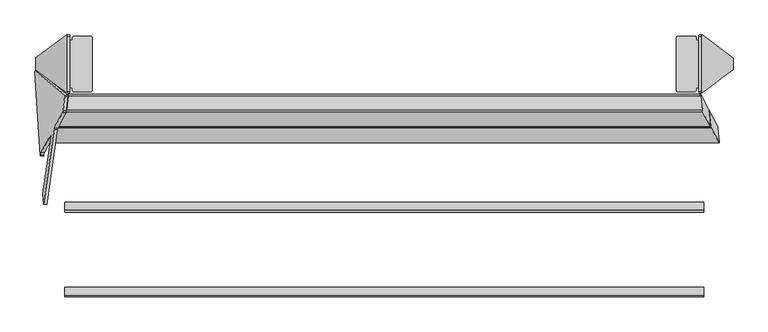
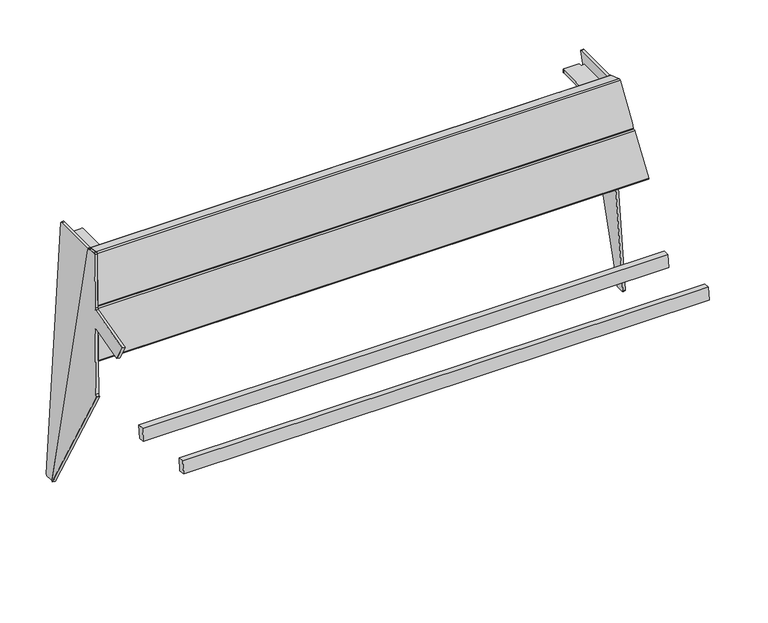
"""IFC4 building model written with IfcOpenShell, lengths in millimetres: furniture geometry."""

from ifc_helpers import new_model, si_unit, point, frame, frame_2d, origin, place, context, project, spatial, polyline, circle_curve, ellipse_curve, trimmed, segment, composite_curve, outline, extrude, source, transform, mapped, element, save
from ifc_brep_helpers import plane_surface, cylinder_surface, revolved_surface, advanced_brep


def furniture_f5772b4e(model_context):
    return source(origin(), model_context, "Body", "SolidModel", [
        advanced_brep(
        [(-818.5211149, 240.2168587, 635.5625033), (-819.5173844, 235.3001509, 632.7649653), (-823.4519976, 199.622035, 642.5661913), (-823.306466, 196.8245175, 647.4828634), (-802.7026022, 235.0646195, 786.687229), (-801.7063326, 239.9813274, 789.4847667), (-797.7717206, 275.659435, 779.6835409), (-797.9172522, 278.4569523, 774.7668691), (821.0571971, 196.8245175, 647.4828634), (821.0571971, 199.622035, 642.5661913), (821.0571971, 221.3375039, 636.6006796), (821.0571971, 200.9990875, 662.6794331), (818.5211149, 240.2168587, 635.5625033), (819.5173844, 235.3001509, 632.7649653), (797.9172522, 278.4569523, 774.7668691), (797.7717206, 275.659435, 779.6835409), (801.7063326, 239.9813274, 789.4847667), (802.7026022, 235.0646195, 786.687229)],
        [
            (0, 1, ellipse_curve(frame((-818.9464839, 236.359746, 636.6220702), z_axis=(-0.9845272064646965, 0.138178406716623, 0.10776320173452736), x_axis=(0.17523178858535024, 0.7763454442639449, 0.6054598016712565)), 4.0628639, 4.0)),
            (1, 2),
            (2, 3, ellipse_curve(frame((-822.881097, 200.6816301, 646.4232962), z_axis=(-0.9845272064646965, 0.138178406716623, 0.10776320173452736), x_axis=(0.17523178858535024, 0.7763454442639449, 0.6054598016712565)), 4.0628639, 4.0)),
            (3, 4),
            (4, 5, ellipse_curve(frame((-802.2772332, 238.921732, 785.6276619), z_axis=(-0.9845272064646965, 0.138178406716623, 0.10776320173452736), x_axis=(0.17523178858535024, 0.7763454442639449, 0.6054598016712565)), 4.0628639, 4.0)),
            (5, 6),
            (6, 7, ellipse_curve(frame((-798.3426212, 274.5998397, 775.8264361), z_axis=(-0.9845272064646965, 0.138178406716623, 0.10776320173452736), x_axis=(0.17523178858535024, 0.7763454442639449, 0.6054598016712565)), 4.0628639, 4.0)),
            (7, 0),
            (8, 9, circle_curve(frame((821.0571971, 200.6816301, 646.4232962), z_axis=(1.0, 0.0, 0.0), x_axis=(0.0, -1.0, 0.0)), 4.0)),
            (9, 10),
            (10, 11),
            (11, 8),
            (0, 12),
            (12, 13, ellipse_curve(frame((818.9464839, 236.359746, 636.6220702), z_axis=(-0.9845272064646965, -0.13817840671662357, -0.10776320173452705), x_axis=(0.17523178858535, -0.776345444263947, -0.6054598016712538)), 4.0628639, 4.0)),
            (13, 1),
            (7, 14),
            (14, 12),
            (6, 15),
            (15, 14, ellipse_curve(frame((798.3426212, 274.5998397, 775.8264361), z_axis=(-0.9845272064646965, -0.13817840671662357, -0.10776320173452705), x_axis=(0.17523178858535, -0.776345444263947, -0.6054598016712538)), 4.0628639, 4.0)),
            (5, 16),
            (16, 15),
            (4, 17),
            (17, 16, ellipse_curve(frame((802.2772332, 238.921732, 785.6276619), z_axis=(-0.9845272064646965, -0.13817840671662357, -0.10776320173452705), x_axis=(0.17523178858535, -0.776345444263947, -0.6054598016712538)), 4.0628639, 4.0)),
            (3, 8),
            (11, 17),
            (2, 9),
            (13, 10),
        ],
        [
            plane_surface(frame((-794.0167868, 291.6214795, 793.5215168), z_axis=(-0.9845272064646965, 0.138178406716623, 0.10776320173452736), x_axis=(-0.1021320908307656, -0.9522059736125507, 0.2878763968079196))),
            plane_surface(frame((821.0571971, 232.359746, 636.6220702), z_axis=(1.0, 0.0, 0.0), x_axis=(0.0, 0.0, -1.0))),
            cylinder_surface(frame((-826.6787284, 236.359746, 636.6220702), z_axis=(1.0, 0.0, 0.0), x_axis=(0.0, -1.0, 0.0)), 4.0),
            plane_surface(frame((821.0571971, 240.2168587, 635.5625033), z_axis=(0.0, 0.9642781573688652, -0.26489174245586816), x_axis=(-1.0, 0.0, 0.0))),
            cylinder_surface(frame((-826.6787284, 274.5998397, 775.8264361), z_axis=(1.0, 0.0, 0.0), x_axis=(0.0, -1.0, 0.0)), 4.0),
            plane_surface(frame((821.0571971, 275.659435, 779.6835409), z_axis=(0.0, 0.26489882655000385, 0.9642762113069216), x_axis=(-1.0, 0.0, 0.0))),
            cylinder_surface(frame((-826.6787284, 238.921732, 785.6276619), z_axis=(1.0, 0.0, 0.0), x_axis=(0.0, -1.0, 0.0)), 4.0),
            plane_surface(frame((821.0571971, 235.0646195, 786.687229), z_axis=(0.0, -0.9642781425237719, 0.2648917964960495), x_axis=(-1.0, 0.0, 0.0))),
            cylinder_surface(frame((-826.6787284, 200.6816301, 646.4232962), z_axis=(1.0, 0.0, 0.0), x_axis=(0.0, -1.0, 0.0)), 4.0),
            plane_surface(frame((821.0571971, 199.622035, 642.5661913), z_axis=(0.0, -0.264898775076045, -0.9642762254474653), x_axis=(-1.0, 0.0, 0.0))),
            plane_surface(frame((840.5518395, 210.5960038, 472.2703498), z_axis=(0.9845272064646965, 0.13817840671662357, 0.10776320173452705), x_axis=(0.10213209083076613, -0.9522059736125503, 0.2878763968079205))),
        ],
        [
            (0, [[1, 2, 3, 4, 5, 6, 7, 8]]),
            (1, [[9, 10, 11, 12]]),
            (2, [[-1, 13, 14, 15]]),
            (3, [[-8, 16, 17, -13]]),
            (4, [[-7, 18, 19, -16]]),
            (5, [[-6, 20, 21, -18]]),
            (6, [[-5, 22, 23, -20]]),
            (7, [[24, -12, 25, -22, -4]]),
            (8, [[-9, -24, -3, 26]]),
            (9, [[-26, -2, -15, 27, -10]]),
            (10, [[-11, -27, -14, -17, -19, -21, -23, -25]]),
        ],
    ),
        advanced_brep(
        [(840.1635722, 200.049211, 489.3411004), (841.1598418, 195.1325032, 486.5435624), (-841.1598418, 195.1325032, 486.5435624), (-840.1635722, 200.049211, 489.3411004), (819.6629039, 238.0977793, 627.848262), (-819.6629039, 238.0977793, 627.848262), (819.5173723, 235.300262, 632.7649338), (-819.5173723, 235.300262, 632.7649338), (823.4519843, 199.6221546, 642.5661595), (-823.4519843, 199.6221546, 642.5661595), (824.4482538, 194.7054467, 639.7686218), (-824.4482538, 194.7054467, 639.7686218), (844.9489233, 156.6568701, 501.2614604), (-844.9489233, 156.6568701, 501.2614604), (845.0944549, 159.4543876, 496.3447884), (-845.0944549, 159.4543876, 496.3447884)],
        [
            (0, 1, ellipse_curve(frame((840.5889412, 196.1920983, 490.4006673), z_axis=(-0.9845272064646965, -0.13817840671662357, -0.10776320173452705), x_axis=(0.17523178858535, -0.776345444263947, -0.6054598016712538)), 4.0628639, 4.0)),
            (1, 2),
            (2, 3, ellipse_curve(frame((-840.5889412, 196.1920983, 490.4006673), z_axis=(0.9845272064646965, -0.138178406716623, -0.10776320173452736), x_axis=(0.17523178858535024, 0.7763454442639449, 0.6054598016712565)), 4.0628639, 4.0)),
            (3, 0),
            (4, 0),
            (3, 5),
            (5, 4),
            (6, 4, ellipse_curve(frame((820.0882729, 234.2406667, 628.907829), z_axis=(-0.9845272064646965, -0.13817840671662357, -0.10776320173452705), x_axis=(0.17523178858535, -0.776345444263947, -0.6054598016712538)), 4.0628639, 4.0)),
            (5, 7, ellipse_curve(frame((-820.0882729, 234.2406667, 628.907829), z_axis=(0.9845272064646965, -0.138178406716623, -0.10776320173452736), x_axis=(0.17523178858535024, 0.7763454442639449, 0.6054598016712565)), 4.0628639, 4.0)),
            (7, 6),
            (8, 6),
            (7, 9),
            (9, 8),
            (10, 8, ellipse_curve(frame((824.0228849, 198.5625593, 638.7090547), z_axis=(-0.9845272064646965, -0.13817840671662357, -0.10776320173452705), x_axis=(0.17523178858535, -0.776345444263947, -0.6054598016712538)), 4.0628639, 4.0)),
            (9, 11, ellipse_curve(frame((-824.0228849, 198.5625593, 638.7090547), z_axis=(0.9845272064646965, -0.138178406716623, -0.10776320173452736), x_axis=(0.17523178858535024, 0.7763454442639449, 0.6054598016712565)), 4.0628639, 4.0)),
            (11, 10),
            (12, 10),
            (11, 13),
            (13, 12),
            (14, 12, ellipse_curve(frame((844.5235544, 160.5139827, 500.2018933), z_axis=(-0.9845272064646965, -0.13817840671662357, -0.10776320173452705), x_axis=(0.17523178858535, -0.776345444263947, -0.6054598016712538)), 4.0628639, 4.0)),
            (13, 15, ellipse_curve(frame((-844.5235544, 160.5139827, 500.2018933), z_axis=(0.9845272064646965, -0.138178406716623, -0.10776320173452736), x_axis=(0.17523178858535024, 0.7763454442639449, 0.6054598016712565)), 4.0628639, 4.0)),
            (15, 14),
            (1, 14),
            (15, 2),
        ],
        [
            cylinder_surface(frame((-849.4957131, 196.1920983, 490.4006673), z_axis=(1.0, 0.0, 0.0), x_axis=(0.0, -1.0, 0.0)), 4.0),
            plane_surface(frame((845.3239935, 200.049211, 489.3411004), z_axis=(0.0, 0.9642781573688651, -0.2648917424558685), x_axis=(-1.0, 0.0, 0.0))),
            cylinder_surface(frame((-849.4957131, 234.2406667, 628.907829), z_axis=(1.0, 0.0, 0.0), x_axis=(0.0, -1.0, 0.0)), 4.0),
            plane_surface(frame((845.3239935, 235.300262, 632.7649338), z_axis=(0.0, 0.2648988265500056, 0.9642762113069212), x_axis=(-1.0, 0.0, 0.0))),
            cylinder_surface(frame((-849.4957131, 198.5625593, 638.7090547), z_axis=(1.0, 0.0, 0.0), x_axis=(0.0, -1.0, 0.0)), 4.0),
            plane_surface(frame((845.3239935, 194.7054467, 639.7686218), z_axis=(0.0, -0.9642781425237719, 0.2648917964960493), x_axis=(-1.0, 0.0, 0.0))),
            cylinder_surface(frame((-849.4957131, 160.5139827, 500.2018933), z_axis=(1.0, 0.0, 0.0), x_axis=(0.0, -1.0, 0.0)), 4.0),
            plane_surface(frame((845.3239935, 159.4543876, 496.3447884), z_axis=(0.0, -0.2648987750760446, -0.9642762254474654), x_axis=(-1.0, 0.0, 0.0))),
            plane_surface(frame((840.5518395, 210.5960038, 472.2703498), z_axis=(0.9845272064646965, 0.13817840671662357, 0.10776320173452705), x_axis=(0.10213209083076613, -0.9522059736125503, 0.2878763968079205))),
            plane_surface(frame((-794.0167868, 291.6214795, 793.5215168), z_axis=(-0.9845272064646965, 0.138178406716623, 0.10776320173452736), x_axis=(-0.1021320908307656, -0.9522059736125507, 0.2878763968079196))),
        ],
        [
            (0, [[1, 2, 3, 4]]),
            (1, [[5, -4, 6, 7]]),
            (2, [[8, -7, 9, 10]]),
            (3, [[11, -10, 12, 13]]),
            (4, [[14, -13, 15, 16]]),
            (5, [[17, -16, 18, 19]]),
            (6, [[20, -19, 21, 22]]),
            (7, [[23, -22, 24, -2]]),
            (8, [[-1, -5, -8, -11, -14, -17, -20, -23]]),
            (9, [[-3, -24, -21, -18, -15, -12, -9, -6]]),
        ],
    ),
        advanced_brep(
        [(-755.0440225, 275.0158862, 757.8881152), (-747.1427984, 272.5788357, 749.0639533), (-783.301588, 206.9046912, 509.9877088), (-791.2328587, 205.1005271, 503.3842593), (-837.8982285, 205.1850931, 503.4518959), (-800.2290396, 275.0977695, 757.9536062), (-791.2451915, 196.3768615, 505.7825119), (-783.3139208, 198.1810256, 512.3859614), (-747.1551312, 263.8551701, 751.4622058), (-755.0563553, 266.2922205, 760.2863677), (-801.1905091, 266.3758239, 760.3532344), (-838.8596981, 196.4631475, 505.8515241), (-880.8633489, 337.9713039, 14.8944279), (-881.5280215, 336.1005897, 11.2206695), (-867.61676, 124.5422214, 409.5831251), (-867.5760922, 124.8590494, 409.5484177), (-866.2037222, 131.2504543, 413.8911008), (-840.7909312, 178.4134646, 585.5886209), (-840.7791117, 174.5518534, 590.6481205), (-861.2994828, 28.470929, 590.4844823), (-859.5577941, 1.98384, 640.3594265), (-833.1217155, 190.2995977, 640.4138722), (-832.2804167, 194.0587936, 643.2798026), (-811.1014693, 233.3654515, 786.3705641), (-810.120629, 238.2446052, 789.0752934), (-806.2223905, 274.267721, 778.499374), (-806.2060941, 277.1577, 774.9426086), (-872.9871313, 336.8658767, 14.0323223), (-798.3298764, 276.0522727, 774.080503), (-798.3461729, 273.1622937, 777.6372684), (-802.2444113, 237.139178, 788.2131877), (-803.2252516, 232.2600242, 785.5084585), (-824.4041991, 192.9533663, 642.417697), (-825.2454978, 189.1941704, 639.5517665), (-851.6815764, 0.8784127, 639.4973209), (-853.3932206, 26.9085927, 590.4827322), (-832.653384, 174.5518534, 590.6481205), (-832.6652035, 178.4134646, 585.5886209), (-858.0779945, 131.2504543, 413.8911008), (-859.4503645, 124.8590494, 409.5484177), (-859.704087, 122.8823921, 409.7649535), (-873.6518039, 334.9951625, 10.3585639)],
        [
            (0, 1, circle_curve(frame((-755.0590458, 272.8952788, 750.1743095), z_axis=(0.0013631459484884575, 0.9642258427672699, -0.26507860338562134), x_axis=(0.14431455675225047, 0.2621142782788855, 0.9541852093968658)), 8.0)),
            (1, 2),
            (2, 3, circle_curve(frame((-791.2178354, 207.2211344, 511.098065), z_axis=(0.0013631459484884575, 0.9642258427672699, -0.26507860338562134), x_axis=(0.14431455675225047, 0.2621142782788855, 0.9541852093968658)), 8.0)),
            (3, 4),
            (4, 5),
            (5, 0),
            (6, 7, circle_curve(frame((-791.2301682, 198.4974688, 513.4963176), z_axis=(-0.0013631459484884575, -0.9642258427672699, 0.26507860338562134), x_axis=(0.14431455675225047, 0.2621142782788855, 0.9541852093968658)), 8.0)),
            (7, 8),
            (8, 9, circle_curve(frame((-755.0713786, 264.1716132, 752.572562), z_axis=(-0.0013631459484884575, -0.9642258427672699, 0.26507860338562134), x_axis=(0.14431455675225047, 0.2621142782788855, 0.9541852093968658)), 8.0)),
            (9, 10),
            (10, 11),
            (11, 6),
            (0, 9),
            (8, 1),
            (7, 2),
            (6, 3),
            (11, 4),
            (5, 10),
            (12, 13, circle_curve(frame((-881.4454916, 334.025159, 14.6358678), z_axis=(-0.9845272064646956, 0.13817840671662612, 0.10776320173453142), x_axis=(-0.10809843818608307, 0.005098251508800454, -0.9941271224009949)), 3.9972244)),
            (13, 14),
            (14, 15),
            (15, 16, ellipse_curve(frame((-866.8370673, 125.5075832, 415.4685906), z_axis=(0.9845272064646956, -0.1381784067166262, -0.10776320173453155), x_axis=(0.1752317885853553, 0.7763454442639396, 0.6054598016712618)), 6.049187, 5.9555892)),
            (16, 17),
            (17, 18, ellipse_curve(frame((-841.2163098, 174.5563342, 586.648123), z_axis=(0.9845272064646956, -0.1381784067166262, -0.10776320173453155), x_axis=(0.1752317885853553, 0.7763454442639396, 0.6054598016712618)), 4.0628639, 4.0)),
            (18, 19),
            (19, 20),
            (20, 21),
            (21, 22, circle_curve(frame((-832.6950066, 190.2385459, 644.3905783), z_axis=(0.9845272064646956, -0.13817840671662612, -0.10776320173453142), x_axis=(-0.10809843818608307, 0.005098251508800454, -0.9941271224009949)), 4.0)),
            (22, 23),
            (23, 24, circle_curve(frame((-810.6868794, 237.1856992, 785.2597883), z_axis=(-0.9845272064646956, 0.13817840671662612, 0.10776320173453142), x_axis=(-0.10809843818608307, 0.005098251508800454, -0.9941271224009949)), 4.0)),
            (24, 25),
            (25, 26, circle_curve(frame((-806.788641, 273.2088149, 774.683869), z_axis=(-0.9845272064646956, 0.13817840671662612, 0.10776320173453142), x_axis=(-0.10809843818608307, 0.005098251508800454, -0.9941271224009949)), 4.0)),
            (26, 12),
            (27, 28),
            (28, 29, circle_curve(frame((-798.9124233, 272.1033877, 773.8217633), z_axis=(0.9845272064646956, -0.13817840671662612, -0.10776320173453142), x_axis=(-0.10809843818608307, 0.005098251508800454, -0.9941271224009949)), 4.0)),
            (29, 30),
            (30, 31, circle_curve(frame((-802.8106618, 236.0802719, 784.3976827), z_axis=(0.9845272064646956, -0.13817840671662612, -0.10776320173453142), x_axis=(-0.10809843818608307, 0.005098251508800454, -0.9941271224009949)), 4.0)),
            (31, 32),
            (32, 33, circle_curve(frame((-824.8187889, 189.1331186, 643.5284727), z_axis=(-0.9845272064646956, 0.13817840671662612, 0.10776320173453142), x_axis=(-0.10809843818608307, 0.005098251508800454, -0.9941271224009949)), 4.0)),
            (33, 34),
            (34, 35),
            (35, 36),
            (36, 37, ellipse_curve(frame((-833.0905821, 174.5563342, 586.648123), z_axis=(-0.9845272064646956, 0.1381784067166262, 0.10776320173453155), x_axis=(0.1752317885853553, 0.7763454442639396, 0.6054598016712618)), 4.0628639, 4.0)),
            (37, 38),
            (38, 39, ellipse_curve(frame((-858.7113396, 125.5075832, 415.4685906), z_axis=(-0.9845272064646956, 0.1381784067166262, 0.10776320173453155), x_axis=(0.1752317885853553, 0.7763454442639396, 0.6054598016712618)), 6.049187, 5.9555892)),
            (39, 40),
            (40, 41),
            (41, 27, circle_curve(frame((-873.5692739, 332.9197317, 13.7737622), z_axis=(0.9845272064646956, -0.13817840671662612, -0.10776320173453142), x_axis=(-0.10809843818608307, 0.005098251508800454, -0.9941271224009949)), 3.9972244)),
            (25, 29),
            (28, 26),
            (27, 12),
            (41, 13),
            (40, 14),
            (34, 20),
            (19, 35),
            (33, 21),
            (32, 22),
            (31, 23),
            (30, 24),
            (17, 37),
            (36, 18),
            (39, 15),
            (38, 16),
        ],
        [
            plane_surface(frame((-753.9045293, 274.9921931, 757.8077911), z_axis=(0.0013631459484884298, 0.9642258427672699, -0.26507860338562156), x_axis=(0.9895309245003536, -0.03955539485439855, -0.13879452509154708))),
            plane_surface(frame((-753.9168621, 266.2685275, 760.2060437), z_axis=(-0.0013631459484884298, -0.9642258427672699, 0.26507860338562156), x_axis=(-0.9895309245003536, 0.03955539485439855, 0.13879452509154708))),
            cylinder_surface(frame((-755.0713786, 264.1716132, 752.572562), z_axis=(0.0013631459484884575, 0.9642258427672699, -0.26507860338562134), x_axis=(0.14431455675225047, 0.2621142782788855, 0.9541852093968658)), 8.0),
            plane_surface(frame((-747.1427984, 272.5788357, 749.0639533), z_axis=(0.9895309245003534, -0.0395553948543983, -0.13879452509154827), x_axis=(-0.001363145948487987, -0.9642258427672699, 0.2650786033856207))),
            cylinder_surface(frame((-791.2301682, 198.4974688, 513.4963176), z_axis=(0.0013631459484884575, 0.9642258427672699, -0.26507860338562134), x_axis=(0.14431455675225047, 0.2621142782788855, 0.9541852093968658)), 8.0),
            plane_surface(frame((-791.2328587, 205.1005271, 503.3842593), z_axis=(-0.0018779099002757267, -0.2650759139656631, -0.9642257169821155), x_axis=(-0.001363145948487987, -0.9642258427672699, 0.2650786033856207))),
            plane_surface(frame((-803.1542615, 275.1030705, 757.957846), z_axis=(0.0018779099002713226, 0.2650759139656631, 0.9642257169821155), x_axis=(-0.001363145948487987, -0.9642258427672699, 0.2650786033856207))),
            plane_surface(frame((-881.8775853, 334.0455378, 10.6621186), z_axis=(-0.9845272064646956, 0.1381784067166262, 0.10776320173453155), x_axis=(-0.13791630575299013, -0.9903942324896726, 0.009917502641294946))),
            plane_surface(frame((-874.0013676, 332.9401106, 9.800013), z_axis=(0.9845272064646956, -0.1381784067166262, -0.10776320173453155), x_axis=(0.13791630575299013, 0.9903942324896726, -0.009917502641294946))),
            cylinder_surface(frame((-798.9124233, 272.1033877, 773.8217633), z_axis=(-0.9845272064646956, 0.13817840671662612, 0.10776320173453142), x_axis=(-0.10809843818608307, 0.005098251508800454, -0.9941271224009949)), 4.0),
            plane_surface(frame((-806.2060941, 277.1577, 774.9426086), z_axis=(0.14563671969423442, 0.9872212562883779, 0.06468490557386732), x_axis=(0.9845272064646956, -0.13817840671662243, -0.10776320173453661))),
            cylinder_surface(frame((-873.5692739, 332.9197317, 13.7737622), z_axis=(-0.9845272064646956, 0.13817840671662612, 0.10776320173453142), x_axis=(-0.10809843818608307, 0.005098251508800454, -0.9941271224009949)), 3.9972244),
            plane_surface(frame((-881.5280215, 336.1005897, 11.2206695), z_axis=(-0.17249891043919574, -0.872425040531916, -0.4572949535586143), x_axis=(0.9845272064646962, -0.1381784067166225, -0.10776320173453165))),
            plane_surface(frame((-859.5577941, 1.98384, 640.3594265), z_axis=(0.10667723092490322, -0.01526296251921189, 0.9941765488972932), x_axis=(0.9845272064646956, -0.13817840671662243, -0.10776320173453661))),
            revolved_surface(polyline([(-825.251182622492, 189.15351160178926, 639.5519642070847), (-833.1274003560839, 190.25893886701334, 640.4140698299226)]), (-824.8187889, 189.1331186, 643.5284727), (0.9845272064646956, -0.13817840671662612, -0.10776320173453142)),
            plane_surface(frame((-832.2804167, 194.0587936, 643.2798026), z_axis=(-0.10364746347884377, -0.955061925655032, 0.27769393489686434), x_axis=(0.9845272064646949, -0.13817840671662657, -0.10776320173453655))),
            cylinder_surface(frame((-802.8106618, 236.0802719, 784.3976827), z_axis=(-0.9845272064646956, 0.13817840671662612, 0.10776320173453142), x_axis=(-0.10809843818608307, 0.005098251508800454, -0.9941271224009949)), 4.0),
            plane_surface(frame((-810.120629, 238.2446052, 789.0752934), z_axis=(0.1415626146882469, 0.26472650457534347, 0.9538762518785903), x_axis=(0.9845272064646956, -0.13817840671662243, -0.10776320173453661))),
            revolved_surface(polyline([(-832.3786391920241, 170.5563342, 586.648123), (-841.9282527079758, 170.5563342, 586.648123)]), (-919.9232064, 174.5563342, 586.648123), (1.0, 0.0, 0.0)),
            plane_surface(frame((-812.6404131, 174.5518534, 590.6481205), z_axis=(0.0, 0.0011201877232388624, -0.9999993725895355), x_axis=(-1.0, 0.0, 0.0))),
            plane_surface(frame((-812.6404131, -281.1025506, 454.0200604), z_axis=(0.0, 0.10889498268372896, 0.994053259511939), x_axis=(-1.0, 0.0, 0.0))),
            revolved_surface(polyline([(-857.6513297425026, 119.551994, 415.4685906), (-867.8970771574973, 119.551994, 415.4685906)]), (-919.9232064, 125.5075832, 415.4685906), (1.0, 0.0, 0.0)),
            plane_surface(frame((-812.6404131, 131.2504543, 413.8911008), z_axis=(0.0, -0.9642826121585462, 0.2648755252730818), x_axis=(-1.0, 0.0, 0.0))),
        ],
        [
            (0, [[1, 2, 3, 4, 5, 6]]),
            (1, [[7, 8, 9, 10, 11, 12]]),
            (2, [[-1, 13, -9, 14]]),
            (3, [[-2, -14, -8, 15]]),
            (4, [[-3, -15, -7, 16]]),
            (5, [[-16, -12, 17, -4]]),
            (6, [[-13, -6, 18, -10]]),
            (7, [[19, 20, 21, 22, 23, 24, 25, 26, 27, 28, 29, 30, 31, 32, 33]]),
            (8, [[34, 35, 36, 37, 38, 39, 40, 41, 42, 43, 44, 45, 46, 47, 48], [-5, -17, -11, -18]]),
            (9, [[-32, 49, -35, 50]]),
            (10, [[-33, -50, -34, 51]]),
            (11, [[-19, -51, -48, 52]]),
            (12, [[-52, -47, 53, -20]]),
            (12, [[54, -26, 55, -41]]),
            (13, [[-27, -54, -40, 56]]),
            (14, [[-28, -56, -39, 57]]),
            (15, [[-29, -57, -38, 58]]),
            (16, [[-30, -58, -37, 59]]),
            (17, [[-31, -59, -36, -49]]),
            (18, [[60, -43, 61, -24]]),
            (19, [[-61, -42, -55, -25]]),
            (20, [[62, -21, -53, -46]]),
            (21, [[-62, -45, 63, -22]]),
            (22, [[-60, -23, -63, -44]]),
        ],
    ),
        extrude(outline(polyline([(0.0, -19.9999999), (0.0, 0.0), (1612.8148813, 0.0), (1612.8148813, -19.9999999), (0.0, -19.9999999)])), frame((806.271869, -17.9230139, 331.2273795), z_axis=(0.0, 0.10862274800818965, 0.9940830441241564), x_axis=(-1.0, 0.0, 0.0)), (0.0, 0.0, 1.0), 40.0),
        extrude(outline(polyline([(0.0, -20.0), (0.0, 0.0), (1612.8148813, 0.0), (1612.8148813, -20.0), (0.0, -20.0)])), frame((806.271869, -232.1337214, 354.6340312), z_axis=(0.0, 0.10862274800818968, 0.9940830441241564), x_axis=(-1.0, 0.0, 0.0)), (0.0, 0.0, 1.0), 40.0),
        extrude(outline(composite_curve([segment(trimmed(circle_curve(frame_2d((740.9997902, 421.4776321)), 4.0), [point((736.9997902, 421.4776321))], [point((740.9997902, 425.4776321))], False, "CARTESIAN"), True, "CONTINUOUS"), segment(polyline([(740.9997902, 425.4776321), (782.9997902, 425.4776321)]), True, "CONTINUOUS"), segment(trimmed(circle_curve(frame_2d((782.9997902, 421.4776321)), 4.0), [point((782.9997902, 425.4776321))], [point((786.9997902, 421.4776321))], False, "CARTESIAN"), True, "CONTINUOUS"), segment(polyline([(786.9997902, 421.4776321), (786.9997902, 415.4775105), (796.9703536, 415.4775105), (796.9703536, 295.4775105), (786.9997902, 295.4775105), (786.9997902, 289.4776321)]), True, "CONTINUOUS"), segment(trimmed(circle_curve(frame_2d((782.9997902, 289.4776321)), 4.0), [point((786.9997902, 289.4776321))], [point((782.9997902, 285.4776321))], False, "CARTESIAN"), True, "CONTINUOUS"), segment(polyline([(782.9997902, 285.4776321), (740.9997902, 285.4776321)]), True, "CONTINUOUS"), segment(trimmed(circle_curve(frame_2d((740.9997902, 289.4776321)), 4.0), [point((740.9997902, 285.4776321))], [point((736.9997902, 289.4776321))], False, "CARTESIAN"), True, "CONTINUOUS"), segment(polyline([(736.9997902, 289.4776321), (736.9997902, 421.4776321)]), True, "CONTINUOUS")], self_intersect=False)), frame((0.0, 0.0, 720.7455365), z_axis=(0.0, 0.0, 1.0), x_axis=(1.0, 0.0, 0.0)), (0.0, 0.0, 1.0), 10.0),
        extrude(outline(composite_curve([segment(polyline([(-23.01464, 1e-07), (-0.0002806, 0.0)]), True, "CONTINUOUS"), segment(trimmed(circle_curve(frame_2d((-0.0002806, -4.0)), 4.0), [point((-0.0002806, 0.0))], [point((3.9883223, -3.698259))], False, "CARTESIAN"), True, "CONTINUOUS"), segment(polyline([(3.9883223, -3.698259), (61.2945299, -761.2080683)]), True, "CONTINUOUS"), segment(trimmed(circle_curve(frame_2d((57.3337499, -761.5077045)), 3.9720976), [point((61.2945299, -761.2080683))], [point((57.3337499, -765.4798021))], False, "CARTESIAN"), True, "CONTINUOUS"), segment(polyline([(57.3337499, -765.4798021), (-80.9730399, -765.4798021)]), True, "CONTINUOUS"), segment(trimmed(circle_curve(frame_2d((-80.9730399, -761.507273)), 3.9725291), [point((-80.9730399, -765.4798021))], [point((-84.9339897, -761.2041832))], False, "CARTESIAN"), True, "CONTINUOUS"), segment(polyline([(-84.9339897, -761.2041832), (-26.9672373, -3.6617014)]), True, "CONTINUOUS"), segment(trimmed(circle_curve(frame_2d((-23.0146401, -3.9641521)), 3.9641521), [point((-26.9672373, -3.6617014))], [point((-23.01464, 1e-07))], False, "CARTESIAN"), True, "CONTINUOUS")], self_intersect=False)), frame((872.4840901, 344.4207239, 10.5578493), z_axis=(0.9946984865140415, 0.0, 0.10283443453763687), x_axis=(7.696630698853913e-05, -0.9999997199121733, -0.0007444808678950341)), (0.0, 0.0, 1.0), 7.463358),
        extrude(outline(composite_curve([segment(polyline([(-736.9997902, 421.4776321), (-736.9997902, 289.4776321)]), True, "CONTINUOUS"), segment(trimmed(circle_curve(frame_2d((-740.9997902, 289.4776321)), 4.0), [point((-736.9997902, 289.4776321))], [point((-740.9997902, 285.4776321))], False, "CARTESIAN"), True, "CONTINUOUS"), segment(polyline([(-740.9997902, 285.4776321), (-782.9997902, 285.4776321)]), True, "CONTINUOUS"), segment(trimmed(circle_curve(frame_2d((-782.9997902, 289.4776321)), 4.0), [point((-782.9997902, 285.4776321))], [point((-786.9997902, 289.4776321))], False, "CARTESIAN"), True, "CONTINUOUS"), segment(polyline([(-786.9997902, 289.4776321), (-786.9997902, 295.4775105), (-796.9703536, 295.4775105), (-796.9703536, 415.4775105), (-786.9997902, 415.4775105), (-786.9997902, 421.4776321)]), True, "CONTINUOUS"), segment(trimmed(circle_curve(frame_2d((-782.9997902, 421.4776321)), 4.0), [point((-786.9997902, 421.4776321))], [point((-782.9997902, 425.4776321))], False, "CARTESIAN"), True, "CONTINUOUS"), segment(polyline([(-782.9997902, 425.4776321), (-740.9997902, 425.4776321)]), True, "CONTINUOUS"), segment(trimmed(circle_curve(frame_2d((-740.9997902, 421.4776321)), 4.0), [point((-740.9997902, 425.4776321))], [point((-736.9997902, 421.4776321))], False, "CARTESIAN"), True, "CONTINUOUS")], self_intersect=False)), frame((0.0, 0.0, 720.7455365), z_axis=(0.0, 0.0, 1.0), x_axis=(1.0, 0.0, 0.0)), (0.0, 0.0, 1.0), 10.0),
        extrude(outline(composite_curve([segment(trimmed(circle_curve(frame_2d((0.0, -3.9641521)), 3.9641521), [point((3.964151, -3.967119))], [point((0.2994923, -7.9169746))], False, "CARTESIAN"), True, "CONTINUOUS"), segment(polyline([(0.2994923, -7.9169746), (-757.2861625, -65.316729)]), True, "CONTINUOUS"), segment(trimmed(circle_curve(frame_2d((-757.5862876, -61.3555534)), 3.9725291), [point((-757.2861625, -65.316729))], [point((-761.5588156, -61.3525802))], False, "CARTESIAN"), True, "CONTINUOUS"), segment(polyline([(-761.5588156, -61.3525802), (-761.4553001, 76.9541709)]), True, "CONTINUOUS"), segment(trimmed(circle_curve(frame_2d((-757.4832036, 76.951198)), 3.9720976), [point((-761.4553001, 76.9541709))], [point((-757.1806031, 80.9117526))], False, "CARTESIAN"), True, "CONTINUOUS"), segment(polyline([(-757.1806031, 80.9117526), (0.2861033, 23.0386037)]), True, "CONTINUOUS"), segment(trimmed(circle_curve(frame_2d((-0.0186228, 19.0502278)), 4.0), [point((0.2861033, 23.0386037))], [point((3.981376, 19.047234))], False, "CARTESIAN"), True, "CONTINUOUS"), segment(polyline([(3.981376, 19.047234), (3.964151, -3.967119)]), True, "CONTINUOUS")], self_intersect=False)), frame((-872.0746675, 363.4682385, 14.5181182), z_axis=(-0.9946984865140414, 0.0, 0.10283443453763685), x_axis=(-0.10283443453763685, 0.0, -0.9946984865140414)), (0.0, 0.0, 1.0), 7.463358),
    ])


if __name__ == "__main__":
    model = new_model("IFC4")
    model_context = context("Model", 3, world=origin())
    ifc_project = project(units=[si_unit("LENGTHUNIT", "METRE", prefix="MILLI")], contexts=[model_context])
    site = spatial("IfcSite", under=ifc_project)
    building = spatial("IfcBuilding", under=site)
    placement = place(None, origin())
    furniture_shape = furniture_f5772b4e(model_context)
    element("IfcFurniture", 1, at=placement, inside=building, context=model_context, shape_type="MappedRepresentation", body=[
        mapped(furniture_shape, transform((0.0, 0.0, 0.0), x_axis=(1.0, 0.0, 0.0), y_axis=(0.0, 1.0, 0.0), z_axis=(0.0, 0.0, 1.0))),
    ])
    save(model, "model.ifc")
